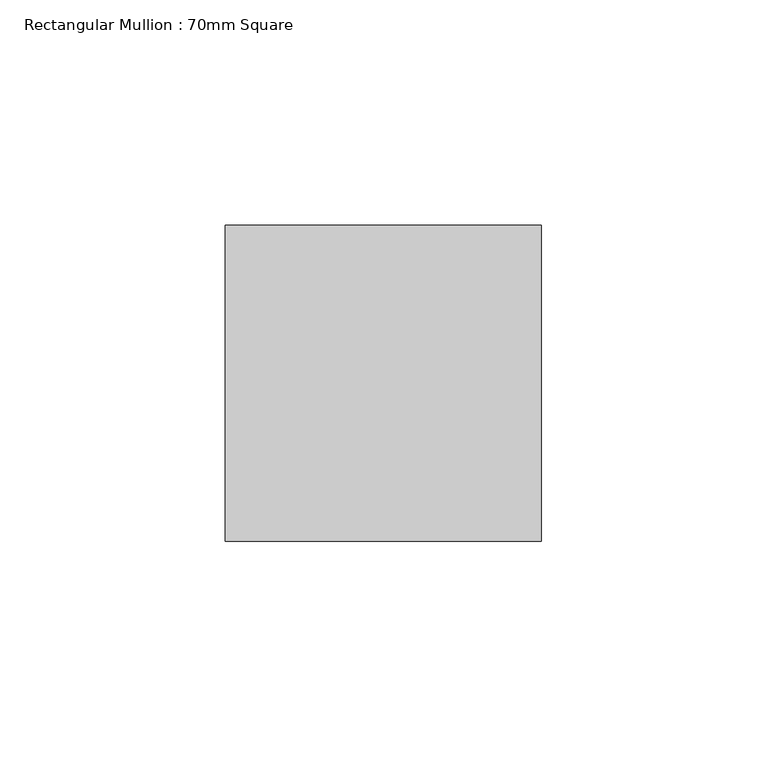
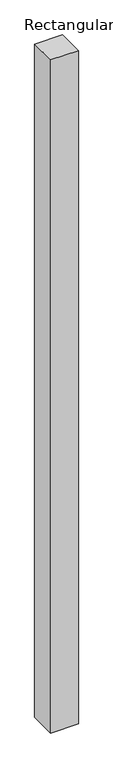
"""IFC4 building model written with IfcOpenShell, lengths in millimetres: member geometry, Rectangular Mullion : 70mm Square."""

from ifc_helpers import new_model, si_unit, frame, origin, place, context, project, spatial, polyline, outline, extrude, source, transform, mapped, element, save


def rectangular_mullion_70mm_square_a3d24894(model_context):
    return source(origin(), model_context, "Body", "SweptSolid", [
        extrude(outline(polyline([(0.0, 35.0), (0.0, -35.0), (-70.0, -35.0), (-70.0, 35.0), (0.0, 35.0)])), frame((0.0, 0.0, -1800.0113888), z_axis=(0.0, 0.0, 1.0), x_axis=(1.0, 0.0, 0.0)), (0.0, 0.0, 1.0), 1800.0113888),
    ])


if __name__ == "__main__":
    model = new_model("IFC4")
    model_context = context("Model", 3, world=origin())
    ifc_project = project(units=[si_unit("LENGTHUNIT", "METRE", prefix="MILLI")], contexts=[model_context])
    site = spatial("IfcSite", under=ifc_project)
    building = spatial("IfcBuilding", under=site)
    placement = place(None, origin())
    rectangular_mullion_70mm_square_shape = rectangular_mullion_70mm_square_a3d24894(model_context)
    element("IfcMember", 1, ObjectType="Rectangular Mullion : 70mm Square", at=placement, inside=building, context=model_context, shape_type="MappedRepresentation", body=[
        mapped(rectangular_mullion_70mm_square_shape, transform((0.0, 0.0, 0.0), x_axis=(1.0, 0.0, 0.0), y_axis=(0.0, 1.0, 0.0), z_axis=(0.0, 0.0, 1.0))),
    ])
    save(model, "model.ifc")
